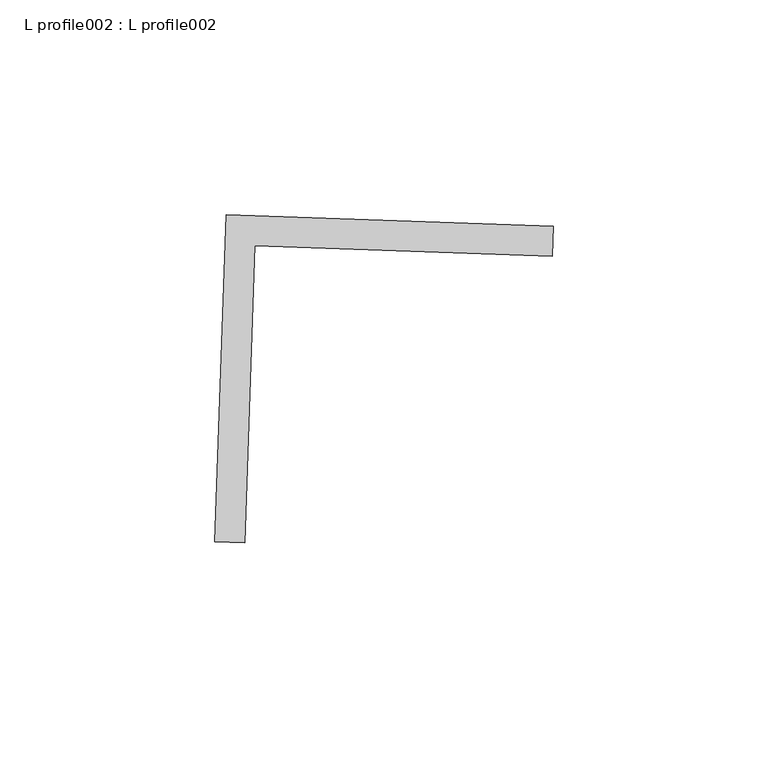
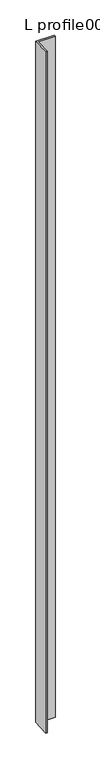
"""IFC4 building model written with IfcOpenShell, lengths in millimetres: proxy geometry, L profile002 : L profile002."""

from ifc_helpers import new_model, si_unit, frame, origin, place, context, project, spatial, polyline, outline, extrude, source, transform, mapped, element, save


def l_profile002_l_profile002_91dabada(model_context):
    return source(origin(), model_context, "Body", "SweptSolid", [
        extrude(outline(polyline([(18211.5828359, -14868.7686985), (18287.7358219, -14871.4450243), (18287.492006, -14878.3826357), (18218.2766315, -14875.9501259), (18215.8441216, -14945.1655004), (18208.9065101, -14944.9216845), (18211.5828359, -14868.7686985)])), frame((0.0, 0.0, 73.975708), z_axis=(0.0, 0.0, 1.0), x_axis=(1.0, 0.0, 0.0)), (0.0, 0.0, 1.0), 2959.106901),
    ])


if __name__ == "__main__":
    model = new_model("IFC4")
    model_context = context("Model", 3, world=origin())
    ifc_project = project(units=[si_unit("LENGTHUNIT", "METRE", prefix="MILLI")], contexts=[model_context])
    site = spatial("IfcSite", under=ifc_project)
    building = spatial("IfcBuilding", under=site)
    placement = place(None, origin())
    l_profile002_l_profile002_shape = l_profile002_l_profile002_91dabada(model_context)
    element("IfcBuildingElementProxy", 1, Name="L profile002 : L profile002", ObjectType="L profile002 : L profile002", at=placement, inside=building, context=model_context, shape_type="MappedRepresentation", body=[
        mapped(l_profile002_l_profile002_shape, transform((0.0, 0.0, 0.0), x_axis=(1.0, 0.0, 0.0), y_axis=(0.0, 1.0, 0.0), z_axis=(0.0, 0.0, 1.0))),
    ])
    save(model, "model.ifc")
